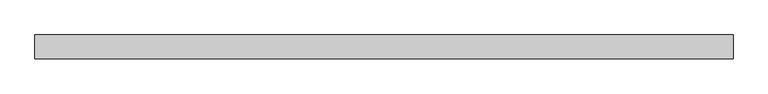
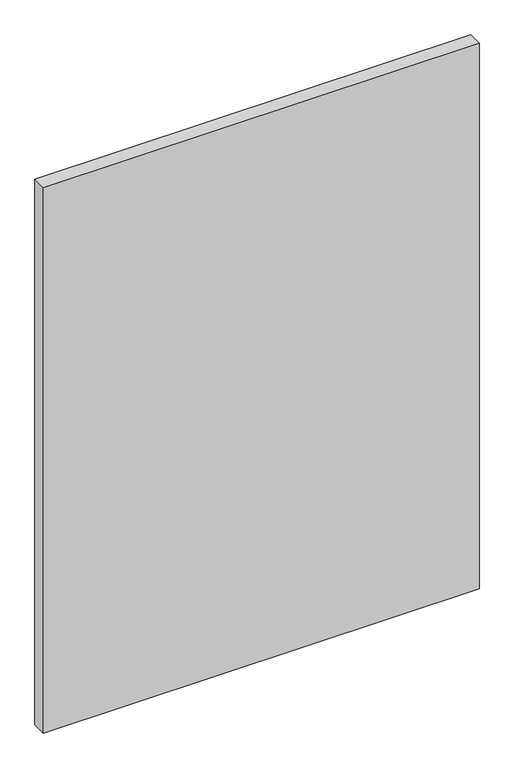
"""IFC4 building model written with IfcOpenShell, lengths in millimetres: plate geometry."""

from ifc_helpers import new_model, si_unit, origin, origin_with_axes, place, context, project, spatial, polyline, outline, extrude, source, transform, mapped, element, save


def plate_107232fd(model_context):
    return source(origin(), model_context, "Body", "SweptSolid", [
        extrude(outline(polyline([(514.6458333, -17.5), (-514.6458333, -17.5), (-514.6458333, 17.5), (514.6458333, 17.5), (514.6458333, -17.5)])), origin_with_axes(), (0.0, 0.0, 1.0), 1362.5560565),
    ])


if __name__ == "__main__":
    model = new_model("IFC4")
    model_context = context("Model", 3, world=origin())
    ifc_project = project(units=[si_unit("LENGTHUNIT", "METRE", prefix="MILLI")], contexts=[model_context])
    site = spatial("IfcSite", under=ifc_project)
    building = spatial("IfcBuilding", under=site)
    placement = place(None, origin())
    plate_shape = plate_107232fd(model_context)
    element("IfcPlate", 1, at=placement, inside=building, context=model_context, shape_type="MappedRepresentation", body=[
        mapped(plate_shape, transform((0.0, 0.0, 0.0), x_axis=(1.0, 0.0, 0.0), y_axis=(0.0, 1.0, 0.0), z_axis=(0.0, 0.0, 1.0))),
    ])
    save(model, "model.ifc")
